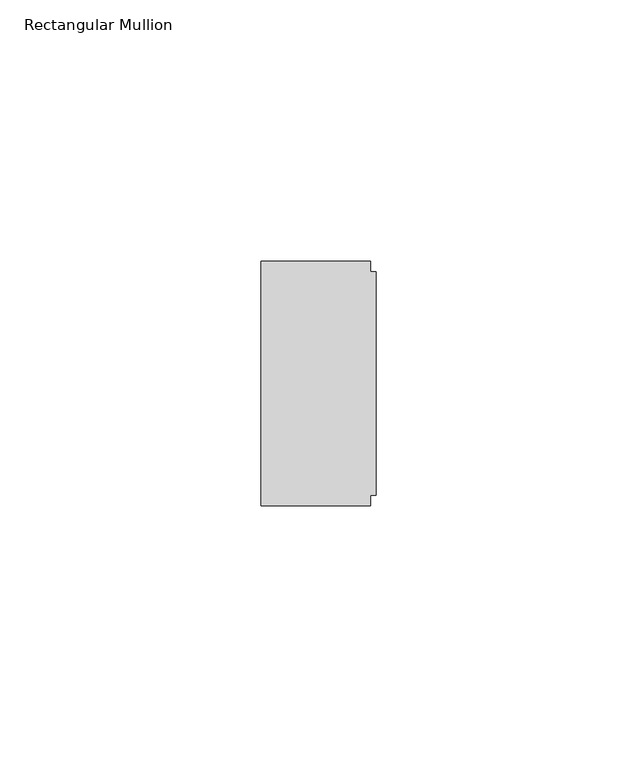
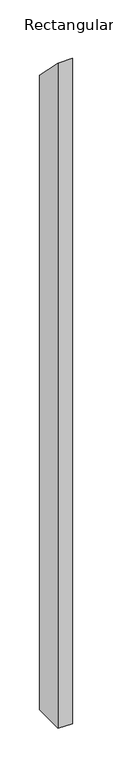
"""IFC4 building model written with IfcOpenShell, lengths in millimetres: member geometry, Rectangular Mullion."""

from ifc_helpers import new_model, si_unit, origin, place, context, project, spatial, faceted_brep, source, transform, mapped, element, save


def rectangular_mullion_d7ccd18f(model_context):
    return source(origin(), model_context, "Body", "Brep", [
        faceted_brep([(-1.0, 23.4, -1000.0), (-1.0, 21.4, -1000.0), (0.0, 21.4, -1000.0), (0.0, -21.4, -1000.0), (-1.0, -21.4, -1000.0), (-1.0, -23.4, -1000.0), (-22.0, -23.4, -1000.0), (-22.0, 23.4, -1000.0), (-22.0, 23.4, -23.4), (-1.0, 23.4, -23.4), (-22.0, -23.4, 23.4), (-1.0, -23.4, 23.4), (-1.0, -21.4, 21.4), (0.0, -21.4, 21.4), (0.0, 21.4, -21.4), (-1.0, 21.4, -21.4)], [[[0, 1, 2, 3, 4, 5, 6, 7]], [[8, 9, 0, 7]], [[10, 8, 7, 6]], [[11, 10, 6, 5]], [[12, 11, 5, 4]], [[13, 12, 4, 3]], [[14, 13, 3, 2]], [[15, 14, 2, 1]], [[9, 15, 1, 0]], [[9, 8, 10, 11, 12, 13, 14, 15]]]),
    ])


if __name__ == "__main__":
    model = new_model("IFC4")
    model_context = context("Model", 3, world=origin())
    ifc_project = project(units=[si_unit("LENGTHUNIT", "METRE", prefix="MILLI")], contexts=[model_context])
    site = spatial("IfcSite", under=ifc_project)
    building = spatial("IfcBuilding", under=site)
    placement = place(None, origin())
    rectangular_mullion_shape = rectangular_mullion_d7ccd18f(model_context)
    element("IfcMember", 1, ObjectType="Rectangular Mullion", at=placement, inside=building, context=model_context, shape_type="MappedRepresentation", body=[
        mapped(rectangular_mullion_shape, transform((0.0, 0.0, 0.0), x_axis=(1.0, 0.0, 0.0), y_axis=(0.0, 1.0, 0.0), z_axis=(0.0, 0.0, 1.0))),
    ])
    save(model, "model.ifc")
